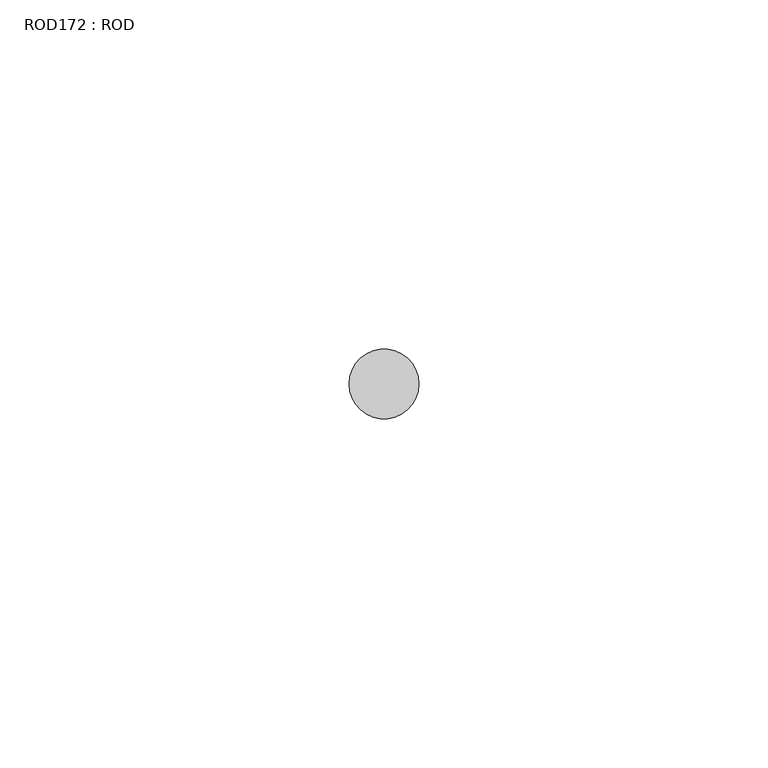
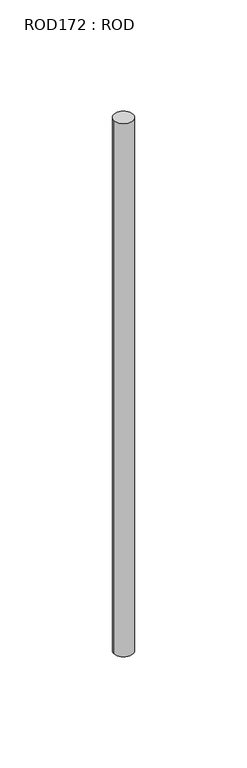
"""IFC4 building model written with IfcOpenShell, lengths in millimetres: proxy geometry, ROD172 : ROD."""

import ifcopenshell
import ifcopenshell.guid

model = None  # the IFC model being written
_history = None  # IfcOwnerHistory: only IFC2X3 demands one
_inside = {}  # id of a spatial element -> (the spatial element, [elements in it])
_under = {}  # id of a project, library or spatial element -> (it, [spatial elements below it])
_declared = {}  # id of a project -> (the project, [libraries it declares])
_typed = {}  # id of a type object -> (the type object, [elements of that type])
_made_of = {}  # id of a material, layer set ... -> (it, [elements and type objects made of it])


def new_model(schema):
    """Start an empty IFC model of exactly this schema.

    Asked for "IFC4X3", IfcOpenShell would pick the latest addendum, in which some entities
    have other attributes; the version numbers below select the first issue.
    IFC2X3 requires an IfcOwnerHistory on every rooted entity: one is made here for all.
    """
    global model, _history
    if schema == "IFC4X3":
        model = ifcopenshell.file(schema_version=(4, 3, 0, 0))
    else:
        model = ifcopenshell.file(schema=schema)
    _inside.clear()
    _under.clear()
    _declared.clear()
    _typed.clear()
    _made_of.clear()
    _history = None
    if model.schema == "IFC2X3":
        org = make("IfcOrganization", Name="unknown")
        user = make(
            "IfcPersonAndOrganization",
            ThePerson=make("IfcPerson", FamilyName="unknown"),
            TheOrganization=org,
        )
        app = make(
            "IfcApplication",
            ApplicationDeveloper=org,
            Version="unknown",
            ApplicationFullName="unknown",
            ApplicationIdentifier="unknown",
        )
        _history = make(
            "IfcOwnerHistory",
            OwningUser=user,
            OwningApplication=app,
            ChangeAction="ADDED",
            CreationDate=0,
        )
    return model


def make(cls, **values):
    """One entity of the class cls with the attributes given. An attribute that is None is left unset."""
    return model.create_entity(
        cls, **{name: value for name, value in values.items() if value is not None}
    )


def rooted(cls, **values):
    """An entity with a GlobalId (a new one), such as an element, a storey or a relation."""
    return make(cls, GlobalId=ifcopenshell.guid.new(), OwnerHistory=_history, **values)


def si_unit(unit_type, name, prefix=None):
    """IfcSIUnit, for example si_unit("LENGTHUNIT", "METRE", prefix="MILLI")."""
    return make("IfcSIUnit", UnitType=unit_type, Prefix=prefix, Name=name)


def assignment(units):
    """IfcUnitAssignment: the units of a project."""
    return None if units is None else make("IfcUnitAssignment", Units=units)


def point(xyz):
    """IfcCartesianPoint."""
    return None if xyz is None else make("IfcCartesianPoint", Coordinates=xyz)


def direction(xyz):
    """IfcDirection."""
    return None if xyz is None else make("IfcDirection", DirectionRatios=xyz)


def frame(location, z_axis=None, x_axis=None):
    """IfcAxis2Placement3D, a coordinate frame: its origin and axes. An axis left out is left unset."""
    return make(
        "IfcAxis2Placement3D",
        Location=point(location),
        Axis=direction(z_axis),
        RefDirection=direction(x_axis),
    )


def frame_2d(location, x_axis=None):
    """IfcAxis2Placement2D, a coordinate frame in the plane: its origin and x axis."""
    return make(
        "IfcAxis2Placement2D", Location=point(location), RefDirection=direction(x_axis)
    )


def origin():
    """The frame at (0, 0, 0) with its axes left unset."""
    return frame((0.0, 0.0, 0.0))


def place(relative_to, where):
    """IfcLocalPlacement: puts the frame where relative to a parent placement (None: the world)."""
    return make(
        "IfcLocalPlacement", PlacementRelTo=relative_to, RelativePlacement=where
    )


def context(
    kind, dimensions, precision=None, world=None, true_north=None, identifier=None
):
    """IfcGeometricRepresentationContext, for example the 3D "Model" context."""
    return make(
        "IfcGeometricRepresentationContext",
        ContextIdentifier=identifier,
        ContextType=kind,
        CoordinateSpaceDimension=dimensions,
        Precision=precision,
        WorldCoordinateSystem=world,
        TrueNorth=true_north,
    )


def project(units=None, contexts=None):
    """IfcProject with its units and contexts."""
    return rooted(
        "IfcProject",
        Name="project",
        RepresentationContexts=contexts,
        UnitsInContext=assignment(units),
    )


def spatial(cls, under=None, at=None, **own):
    """A site, building, storey or space (cls), placed at a placement, below another one or the project."""
    s = rooted(cls, ObjectPlacement=at, **own)
    if under is not None:
        _under.setdefault(under.id(), (under, []))[1].append(s)
    return s


def circle_curve(where, radius):
    """IfcCircle in the frame where."""
    return make("IfcCircle", Position=where, Radius=radius)


def trimmed(basis, trim1, trim2, sense, master):
    """IfcTrimmedCurve: the piece of a basis curve between two trims."""
    return make(
        "IfcTrimmedCurve",
        BasisCurve=basis,
        Trim1=trim1,
        Trim2=trim2,
        SenseAgreement=sense,
        MasterRepresentation=master,
    )


def segment(curve, same_sense, transition):
    """IfcCompositeCurveSegment."""
    return make(
        "IfcCompositeCurveSegment",
        Transition=transition,
        SameSense=same_sense,
        ParentCurve=curve,
    )


def composite_curve(segments, self_intersect=None):
    """IfcCompositeCurve: segments joined end to end."""
    return make("IfcCompositeCurve", Segments=segments, SelfIntersect=self_intersect)


def outline(outer, holes=None, kind="AREA"):
    """IfcArbitraryClosedProfileDef: a profile drawn as a closed curve; with holes, ...WithVoids."""
    if holes is None:
        return make("IfcArbitraryClosedProfileDef", ProfileType=kind, OuterCurve=outer)
    return make(
        "IfcArbitraryProfileDefWithVoids",
        ProfileType=kind,
        OuterCurve=outer,
        InnerCurves=holes,
    )


def extrude(swept, where, along, depth):
    """IfcExtrudedAreaSolid: the profile swept, set in the frame where, extruded along a direction by depth."""
    return make(
        "IfcExtrudedAreaSolid",
        SweptArea=swept,
        Position=where,
        ExtrudedDirection=direction(along),
        Depth=depth,
    )


def shape(context_of_items, identifier, shape_type, items):
    """IfcShapeRepresentation: the items that make up one representation, for example the "Body"."""
    return make(
        "IfcShapeRepresentation",
        ContextOfItems=context_of_items,
        RepresentationIdentifier=identifier,
        RepresentationType=shape_type,
        Items=items,
    )


def source(mapping_origin, context_of_items, identifier, shape_type, items):
    """IfcRepresentationMap: a shape defined once, which mapped items show again and again."""
    return make(
        "IfcRepresentationMap",
        MappingOrigin=mapping_origin,
        MappedRepresentation=shape(context_of_items, identifier, shape_type, items),
    )


def transform(
    local_origin,
    x_axis=None,
    y_axis=None,
    z_axis=None,
    scale=None,
    scale2=None,
    scale3=None,
    uniform=True,
):
    """IfcCartesianTransformationOperator3D, or its non-uniform kind. x_axis, y_axis, z_axis: its Axis1, 2, 3."""
    if uniform:
        return make(
            "IfcCartesianTransformationOperator3D",
            Axis1=direction(x_axis),
            Axis2=direction(y_axis),
            LocalOrigin=point(local_origin),
            Scale=scale,
            Axis3=direction(z_axis),
        )
    return make(
        "IfcCartesianTransformationOperator3DnonUniform",
        Axis1=direction(x_axis),
        Axis2=direction(y_axis),
        LocalOrigin=point(local_origin),
        Scale=scale,
        Axis3=direction(z_axis),
        Scale2=scale2,
        Scale3=scale3,
    )


def mapped(mapping_source, mapping_target):
    """IfcMappedItem: shows the shape of a source again, moved by a transform."""
    return make(
        "IfcMappedItem", MappingSource=mapping_source, MappingTarget=mapping_target
    )


def made_of(thing, what):
    """Note that an element or type object is made of a material, layer set ...; save() writes the relation."""
    if what is not None:
        _made_of.setdefault(what.id(), (what, []))[1].append(thing)
    return thing


def element(
    cls,
    number,
    at=None,
    inside=None,
    cuts=None,
    type_object=None,
    material=None,
    context=None,
    identifier="Body",
    shape_type=None,
    held_by="IfcProductDefinitionShape",
    body=None,
    shapes=None,
    **own,
):
    """One element of the class cls, such as IfcWall. Its Tag is "e" and its number.

    at: its placement. inside: the storey or other place that contains it. cuts: it is an
    opening in that element (IfcRelVoidsElement). A single representation is given by context,
    identifier, shape_type and body (its items); several are given by shapes. held_by: the class
    of the entity that holds the representations. save() writes the other relations.
    """
    e = rooted(cls, Tag="e%d" % number, ObjectPlacement=at, **own)
    if body is not None:
        shapes = [shape(context, identifier, shape_type, body)]
    if shapes is not None:
        e.Representation = make(held_by, Representations=shapes)
    if inside is not None:
        _inside.setdefault(inside.id(), (inside, []))[1].append(e)
    if cuts is not None:
        rooted(
            "IfcRelVoidsElement", RelatingBuildingElement=cuts, RelatedOpeningElement=e
        )
    if type_object is not None:
        _typed.setdefault(type_object.id(), (type_object, []))[1].append(e)
    return made_of(e, material)


def aggregate(whole, parts):
    """IfcRelAggregates: a whole, such as a stair, and the parts it consists of."""
    return rooted("IfcRelAggregates", RelatingObject=whole, RelatedObjects=parts)


def save(model, path):
    """Write the relations noted so far, then the file.

    IfcRelAggregates (storeys below a building ...), IfcRelContainedInSpatialStructure (elements
    in a storey), IfcRelDefinesByType, IfcRelAssociatesMaterial and IfcRelDeclares: one each for
    every whole, place, type object, material and project.
    """
    for whole, parts in _under.values():
        aggregate(whole, parts)
    for where, things in _inside.values():
        rooted(
            "IfcRelContainedInSpatialStructure",
            RelatedElements=things,
            RelatingStructure=where,
        )
    for kind, things in _typed.values():
        rooted("IfcRelDefinesByType", RelatedObjects=things, RelatingType=kind)
    for what, things in _made_of.values():
        rooted("IfcRelAssociatesMaterial", RelatedObjects=things, RelatingMaterial=what)
    for by, libraries in _declared.values():
        rooted("IfcRelDeclares", RelatingContext=by, RelatedDefinitions=libraries)
    model.write(path)


def rod172_rod_b33c8dc5(model_context):
    return source(origin(), model_context, "Body", "SweptSolid", [
        extrude(outline(composite_curve([segment(trimmed(circle_curve(frame_2d((8399.7673324, -21766.6028424)), 5.0), [point((8394.7673324, -21766.6028424))], [point((8404.7673324, -21766.6028424))], False, "CARTESIAN"), True, "CONTINUOUS"), segment(trimmed(circle_curve(frame_2d((8399.7673324, -21766.6028424)), 5.0), [point((8404.7673324, -21766.6028424))], [point((8394.7673324, -21766.6028424))], False, "CARTESIAN"), True, "CONTINUOUS")], self_intersect=False)), frame((0.0, 0.0, 166.3391155), z_axis=(0.0, 0.0, 1.0), x_axis=(1.0, 0.0, 0.0)), (0.0, 0.0, 1.0), 298.9028972),
    ])


if __name__ == "__main__":
    model = new_model("IFC4")
    model_context = context("Model", 3, world=origin())
    ifc_project = project(units=[si_unit("LENGTHUNIT", "METRE", prefix="MILLI")], contexts=[model_context])
    site = spatial("IfcSite", under=ifc_project)
    building = spatial("IfcBuilding", under=site)
    placement = place(None, origin())
    rod172_rod_shape = rod172_rod_b33c8dc5(model_context)
    element("IfcBuildingElementProxy", 1, Name="ROD172 : ROD", ObjectType="ROD172 : ROD", at=placement, inside=building, context=model_context, shape_type="MappedRepresentation", body=[
        mapped(rod172_rod_shape, transform((0.0, 0.0, 0.0), x_axis=(1.0, 0.0, 0.0), y_axis=(0.0, 1.0, 0.0), z_axis=(0.0, 0.0, 1.0))),
    ])
    save(model, "model.ifc")
